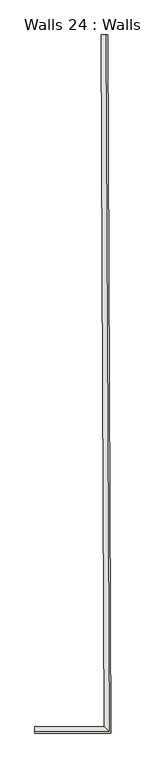
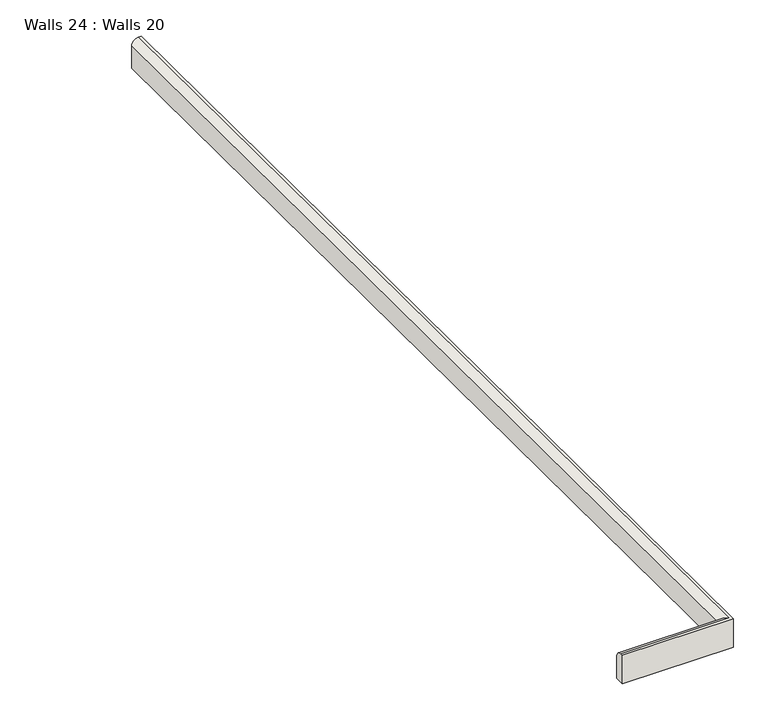
"""IFC4 building model written with IfcOpenShell, lengths in millimetres: wall geometry, Walls 24 : Walls 20."""

from ifc_helpers import new_model, si_unit, frame, origin, place, context, project, spatial, circle_curve, ellipse_curve, source, transform, mapped, element, save
from ifc_brep_helpers import plane_surface, cylinder_surface, advanced_brep


def walls_24_walls_20_bfe49ef3(model_context):
    return source(origin(), model_context, "Body", "AdvancedBrep", [
        advanced_brep(
        [(-45757.5899283, 48374.3630341, 110880.383314), (-45757.5899283, 48391.4728969, 110863.2734512), (-45757.5899283, 48391.4728969, 110804.559821), (-45757.5899283, 48367.666872, 110804.559821), (-45757.5899283, 48367.666872, 110880.383314), (-45503.6510665, 48391.4728969, 110804.559821), (-45503.6510665, 48391.4728969, 110863.2734512), (-45514.9783606, 50921.0895633, 110863.2734512), (-45514.9783606, 50921.0895633, 110804.559821), (-45479.7382027, 48367.666872, 110880.383314), (-45479.7382027, 48367.666872, 110804.559821), (-45491.1725744, 50921.1961626, 110804.559821), (-45491.1725744, 50921.1961626, 110880.383314), (-45497.8686694, 50921.1661783, 110880.383314), (-45486.4644164, 48374.3630341, 110880.383314)],
        [
            (0, 1, circle_curve(frame((-45757.5899283, 48374.3630341, 110863.2734512), z_axis=(-1.0, 0.0, 0.0), x_axis=(0.0, 1.0, 0.0)), 17.1098628)),
            (1, 2),
            (2, 3),
            (3, 4),
            (4, 0),
            (5, 6),
            (6, 7),
            (7, 8),
            (8, 5),
            (9, 10),
            (10, 11),
            (11, 12),
            (12, 9),
            (13, 12),
            (11, 8),
            (7, 13, circle_curve(frame((-45497.8686694, 50921.1661783, 110863.2734512), z_axis=(-0.004477824920054239, 0.9999899744917373, 0.0), x_axis=(-0.9999899744917373, -0.004477824920054239, 0.0)), 17.1098628)),
            (6, 14, ellipse_curve(frame((-45486.4644164, 48374.3630341, 110863.2734512), z_axis=(0.7055218547571755, 0.7086881630590387, 0.0), x_axis=(0.7086881630590386, -0.7055218547571758, 0.0)), 24.2513576, 17.1098628)),
            (14, 13),
            (0, 14),
            (6, 1),
            (5, 2),
            (10, 3),
            (9, 4),
        ],
        [
            plane_surface(frame((-45757.5899283, 48378.1695301, 110770.0), z_axis=(-1.0, 0.0, 0.0), x_axis=(0.0, 0.0, 1.0))),
            plane_surface(frame((-45503.6510665, 48391.4728969, 110863.2734512), z_axis=(-0.9999899744917374, -0.004477824920052833, 0.0), x_axis=(-0.004477824920052833, 0.9999899744917374, 0.0))),
            plane_surface(frame((-45479.7382027, 48367.666872, 110804.559821), z_axis=(0.9999899744917373, 0.004477824920055798, 0.0), x_axis=(-0.004477824920055798, 0.9999899744917373, 0.0))),
            plane_surface(frame((-45501.6751271, 50921.1491335, 110770.0), z_axis=(-0.004477824920054133, 0.9999899744917373, 0.0), x_axis=(0.0, 0.0, 1.0))),
            cylinder_surface(frame((-45486.4815378, 48378.1865749, 110863.2734512), z_axis=(0.004477824920054239, -0.9999899744917373, 0.0), x_axis=(-0.9999899744917373, -0.004477824920054239, 0.0)), 17.1098628),
            cylinder_surface(frame((-45757.5899283, 48374.3630341, 110863.2734512), z_axis=(-1.0, 0.0, 0.0), x_axis=(0.0, 1.0, 0.0)), 17.1098628),
            plane_surface(frame((-45757.5899283, 48391.4728969, 110863.2734512), z_axis=(0.0, 1.0, 0.0), x_axis=(1.0, 0.0, 0.0))),
            plane_surface(frame((-45757.5899283, 48391.4728969, 110804.559821), z_axis=(0.0, 0.0, -1.0), x_axis=(1.0, 0.0, 0.0))),
            plane_surface(frame((-45757.5899283, 48367.666872, 110804.559821), z_axis=(0.0, -1.0, 0.0), x_axis=(1.0, 0.0, 0.0))),
            plane_surface(frame((-45757.5899283, 48367.666872, 110880.383314), z_axis=(0.0, 0.0, 1.0), x_axis=(1.0, 0.0, 0.0))),
        ],
        [
            (0, [[1, 2, 3, 4, 5]]),
            (1, [[6, 7, 8, 9]]),
            (2, [[10, 11, 12, 13]]),
            (3, [[14, -12, 15, -8, 16]]),
            (4, [[17, 18, -16, -7]]),
            (5, [[-1, 19, -17, 20]]),
            (6, [[-2, -20, -6, 21]]),
            (7, [[-3, -21, -9, -15, -11, 22]]),
            (8, [[-4, -22, -10, 23]]),
            (9, [[-5, -23, -13, -14, -18, -19]]),
        ],
    ),
    ])


if __name__ == "__main__":
    model = new_model("IFC4")
    model_context = context("Model", 3, world=origin())
    ifc_project = project(units=[si_unit("LENGTHUNIT", "METRE", prefix="MILLI")], contexts=[model_context])
    site = spatial("IfcSite", under=ifc_project)
    building = spatial("IfcBuilding", under=site)
    placement = place(None, origin())
    walls_24_walls_20_shape = walls_24_walls_20_bfe49ef3(model_context)
    element("IfcWall", 1, ObjectType="Walls 24 : Walls 20", at=placement, inside=building, context=model_context, shape_type="MappedRepresentation", body=[
        mapped(walls_24_walls_20_shape, transform((0.0, 0.0, 0.0), x_axis=(1.0, 0.0, 0.0), y_axis=(0.0, 1.0, 0.0), z_axis=(0.0, 0.0, 1.0))),
    ])
    save(model, "model.ifc")
